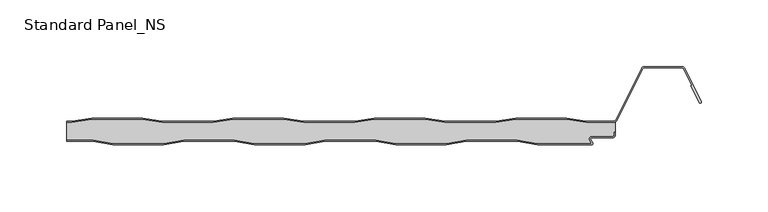
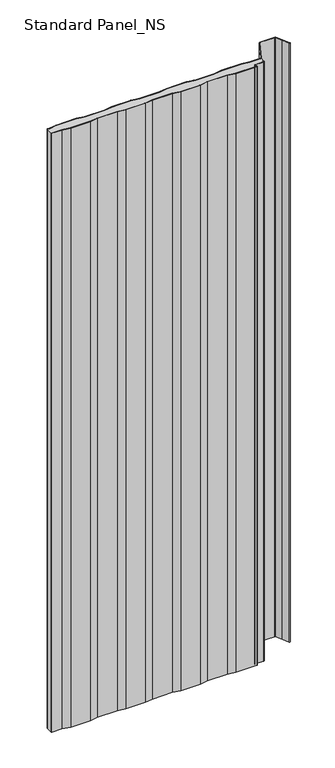
"""IFC4 building model written with IfcOpenShell, lengths in millimetres: proxy geometry, Standard Panel_NS."""

from ifc_helpers import new_model, si_unit, point, frame, frame_2d, origin, origin_with_axes, place, context, project, spatial, polyline, circle_curve, trimmed, segment, composite_curve, outline, extrude, source, transform, mapped, element, save
from ifc_brep_helpers import plane_surface, cylinder_surface, revolved_surface, advanced_brep


def standard_panel_ns_0a488ba0(model_context):
    return source(origin(), model_context, "Body", "SolidModel", [
        extrude(outline(composite_curve([segment(polyline([(-203.6028864, 3.3), (-188.6028864, 0.8), (-150.7353064, 0.8), (-135.7353064, 3.3), (-97.6028864, 3.3), (-82.6028864, 0.8), (-44.7353064, 0.8), (-29.7353064, 3.3), (8.3971136, 3.3), (23.3971136, 0.8), (61.2646936, 0.8), (76.2646936, 3.3), (114.3971136, 3.3), (129.3971136, 0.8), (170.5052217, 0.8), (168.869845, 3.3204106)]), True, "CONTINUOUS"), segment(trimmed(circle_curve(frame_2d((170.3798342, 4.3001721)), 1.8), [point((168.869845, 3.3204106))], [point((170.3798342, 6.1001721))], False, "CARTESIAN"), True, "CONTINUOUS"), segment(polyline([(170.3798342, 6.1001721), (185.9659043, 6.1001721)]), True, "CONTINUOUS"), segment(trimmed(circle_curve(frame_2d((185.9659043, 7.4001714)), 1.2999993), [point((185.9659043, 6.1001721))], [point((187.2659036, 7.4001714))], True, "CARTESIAN"), True, "CONTINUOUS"), segment(polyline([(187.2659036, 7.4001714), (187.2659036, 9.4001722), (188.0659036, 9.4001722), (188.0659036, 7.4001714)]), True, "CONTINUOUS"), segment(trimmed(circle_curve(frame_2d((185.9659043, 7.4001714)), 2.0999993), [point((188.0659036, 7.4001714))], [point((185.9659043, 5.3001721))], False, "CARTESIAN"), True, "CONTINUOUS"), segment(polyline([(185.9659043, 5.3001721), (170.3798342, 5.3001721)]), True, "CONTINUOUS"), segment(trimmed(circle_curve(frame_2d((170.3798342, 4.3001721)), 1.0), [point((170.3798342, 5.3001721))], [point((169.5409513, 3.7558601))], True, "CARTESIAN"), True, "CONTINUOUS"), segment(polyline([(169.5409513, 3.7558601), (170.9759217, 1.5443119)]), True, "CONTINUOUS"), segment(trimmed(circle_curve(frame_2d((170.1370388, 1.0)), 1.0), [point((170.9759217, 1.5443119))], [point((170.1370388, 0.0))], False, "CARTESIAN"), True, "CONTINUOUS"), segment(polyline([(170.1370388, 0.0), (129.3309036, 0.0), (114.3309036, 2.5), (76.3309036, 2.5), (61.3309036, 0.0), (23.3309036, 0.0), (8.3309036, 2.5), (-29.6690964, 2.5), (-44.6690964, 0.0), (-82.6690964, 0.0), (-97.6690964, 2.5), (-135.6690964, 2.5), (-150.6690964, 0.0), (-188.6690964, 0.0), (-203.6690964, 2.5), (-223.4042607, 2.5), (-223.4042607, 3.3), (-203.6028864, 3.3)]), True, "CONTINUOUS")], self_intersect=False)), origin_with_axes(), (0.0, 0.0, 1.0), 1219.2),
        extrude(outline(composite_curve([segment(polyline([(-219.5261524, 17.5), (-204.6867594, 20.0), (-166.4777146, 20.0), (-151.6383215, 17.5), (-113.5261524, 17.5), (-98.6867594, 20.0), (-60.4777146, 20.0), (-45.6383215, 17.5), (-7.5261524, 17.5), (7.3132406, 20.0), (45.5222854, 20.0), (60.3616785, 17.5), (98.4738476, 17.5), (113.3132406, 20.0), (151.5222854, 20.0), (166.3616785, 17.5), (186.5082999, 17.5)]), True, "CONTINUOUS"), segment(trimmed(circle_curve(frame_2d((186.5082999, 19.8)), 2.3), [point((186.5082999, 17.5))], [point((188.5664438, 18.7733338))], True, "CARTESIAN"), True, "CONTINUOUS"), segment(polyline([(188.5664438, 18.7733338), (207.7687355, 57.2679093)]), True, "CONTINUOUS"), segment(trimmed(circle_curve(frame_2d((209.8268795, 56.241243)), 2.3), [point((207.7687355, 57.2679093))], [point((209.8268795, 58.541243))], False, "CARTESIAN"), True, "CONTINUOUS"), segment(polyline([(209.8268795, 58.541243), (237.9816419, 58.541243)]), True, "CONTINUOUS"), segment(trimmed(circle_curve(frame_2d((237.9816419, 56.241243)), 2.3), [point((237.9816419, 58.541243))], [point((240.039338, 57.2688066))], False, "CARTESIAN"), True, "CONTINUOUS"), segment(polyline([(240.039338, 57.2688066), (252.4495038, 32.4174495)]), True, "CONTINUOUS"), segment(trimmed(circle_curve(frame_2d((251.7337834, 32.0600361)), 0.8), [point((252.4495038, 32.4174495))], [point((251.018063, 31.7026227))], False, "CARTESIAN"), True, "CONTINUOUS"), segment(polyline([(251.018063, 31.7026227), (244.6739749, 44.4066593), (245.3896952, 44.7640727), (239.3236176, 56.9113932)]), True, "CONTINUOUS"), segment(trimmed(circle_curve(frame_2d((237.9816419, 56.241243)), 1.5), [point((239.3236176, 56.9113932))], [point((237.9816419, 57.741243))], True, "CARTESIAN"), True, "CONTINUOUS"), segment(polyline([(237.9816419, 57.741243), (209.8268795, 57.741243)]), True, "CONTINUOUS"), segment(trimmed(circle_curve(frame_2d((209.8268795, 56.241243)), 1.5), [point((209.8268795, 57.741243))], [point((208.4846117, 56.910808))], True, "CARTESIAN"), True, "CONTINUOUS"), segment(polyline([(208.4846117, 56.910808), (189.28232, 18.4162325)]), True, "CONTINUOUS"), segment(trimmed(circle_curve(frame_2d((186.5082999, 19.8)), 3.1), [point((189.28232, 18.4162325))], [point((186.5082999, 16.7))], False, "CARTESIAN"), True, "CONTINUOUS"), segment(polyline([(186.5082999, 16.7), (166.2947617, 16.7), (151.4553687, 19.2), (113.3801573, 19.2), (98.5407643, 16.7), (60.2947617, 16.7), (45.4553687, 19.2), (7.3801573, 19.2), (-7.4592357, 16.7), (-45.7052383, 16.7), (-60.5446313, 19.2), (-98.6198427, 19.2), (-113.4592357, 16.7), (-151.7052383, 16.7), (-166.5446313, 19.2), (-204.6198427, 19.2), (-219.4592357, 16.7), (-223.4042607, 16.7), (-223.4042607, 17.5), (-219.5261524, 17.5)]), True, "CONTINUOUS")], self_intersect=False)), origin_with_axes(), (0.0, 0.0, 1.0), 1219.2),
        advanced_brep(
        [(188.136916, 17.1622719, 1219.2), (186.5082999, 16.7, 1219.2), (166.2947617, 16.7, 1219.2), (151.4553687, 19.2, 1219.2), (113.3801573, 19.2, 1219.2), (98.5407643, 16.7, 1219.2), (60.2947617, 16.7, 1219.2), (45.4553687, 19.2, 1219.2), (7.3801573, 19.2, 1219.2), (-7.4592357, 16.7, 1219.2), (-45.7052383, 16.7, 1219.2), (-60.5446313, 19.2, 1219.2), (-98.6198427, 19.2, 1219.2), (-113.4592357, 16.7, 1219.2), (-151.7052383, 16.7, 1219.2), (-166.5446313, 19.2, 1219.2), (-204.6198427, 19.2, 1219.2), (-219.4592357, 16.7, 1219.2), (-223.4042607, 16.7, 1219.2), (-223.4042607, 3.3, 1219.2), (-203.6028864, 3.3, 1219.2), (-188.6028864, 0.8, 1219.2), (-150.7353064, 0.8, 1219.2), (-135.7353064, 3.3, 1219.2), (-97.6028864, 3.3, 1219.2), (-82.6028864, 0.8, 1219.2), (-44.7353064, 0.8, 1219.2), (-29.7353064, 3.3, 1219.2), (8.3971136, 3.3, 1219.2), (23.3971136, 0.8, 1219.2), (61.2646936, 0.8, 1219.2), (76.2646936, 3.3, 1219.2), (114.3971136, 3.3, 1219.2), (129.3971136, 0.8, 1219.2), (170.5052217, 0.8, 1219.2), (168.869845, 3.3204106, 1219.2), (170.3798342, 6.1001721, 1219.2), (185.9659043, 6.1001721, 1219.2), (187.2659036, 7.4001714, 1219.2), (187.2659036, 9.4001722, 1219.2), (188.1042607, 9.4, 1219.2), (-219.4592357, 16.7, 0.0), (-204.6198427, 19.2, 0.0), (-166.5446313, 19.2, 0.0), (-151.7052383, 16.7, 0.0), (-113.4592357, 16.7, 0.0), (-98.6198427, 19.2, 0.0), (-60.5446313, 19.2, 0.0), (-45.7052383, 16.7, 0.0), (-7.4592357, 16.7, 0.0), (7.3801573, 19.2, 0.0), (45.4553687, 19.2, 0.0), (60.2947617, 16.7, 0.0), (98.5407643, 16.7, 0.0), (113.3801573, 19.2, 0.0), (151.4553687, 19.2, 0.0), (166.2947617, 16.7, 0.0), (186.5082999, 16.7, 0.0), (188.136916, 17.1622719, 0.0), (188.1042607, 9.4, 0.0), (187.2659036, 9.4, 0.0), (187.2659036, 7.4001714, 0.0), (185.9659043, 6.1001721, 0.0), (170.3798342, 6.1001721, 0.0), (168.869845, 3.3204106, 0.0), (170.5052217, 0.8, 0.0), (129.3971136, 0.8, 0.0), (114.3971136, 3.3, 0.0), (76.2646936, 3.3, 0.0), (61.2646936, 0.8, 0.0), (23.3971136, 0.8, 0.0), (8.3971136, 3.3, 0.0), (-29.7353064, 3.3, 0.0), (-44.7353064, 0.8, 0.0), (-82.6028864, 0.8, 0.0), (-97.6028864, 3.3, 0.0), (-135.7353064, 3.3, 0.0), (-150.7353064, 0.8, 0.0), (-188.6028864, 0.8, 0.0), (-203.6028864, 3.3, 0.0), (-223.4042607, 3.3, 0.0), (-223.4042607, 16.7, 0.0)],
        [
            (0, 1, circle_curve(frame((186.5082999, 19.8, 1219.2), z_axis=(0.0, 0.0, -1.0), x_axis=(-1.0, 0.0, 0.0)), 3.1)),
            (1, 2),
            (2, 3),
            (3, 4),
            (4, 5),
            (5, 6),
            (6, 7),
            (7, 8),
            (8, 9),
            (9, 10),
            (10, 11),
            (11, 12),
            (12, 13),
            (13, 14),
            (14, 15),
            (15, 16),
            (16, 17),
            (17, 18),
            (18, 19),
            (19, 20),
            (20, 21),
            (21, 22),
            (22, 23),
            (23, 24),
            (24, 25),
            (25, 26),
            (26, 27),
            (27, 28),
            (28, 29),
            (29, 30),
            (30, 31),
            (31, 32),
            (32, 33),
            (33, 34),
            (34, 35),
            (35, 36, circle_curve(frame((170.3798342, 4.3001721, 1219.2), z_axis=(0.0, 0.0, -1.0), x_axis=(-1.0, 0.0, 0.0)), 1.8)),
            (36, 37),
            (37, 38, circle_curve(frame((185.9659043, 7.4001714, 1219.2), z_axis=(0.0, 0.0, 1.0), x_axis=(-1.0, 0.0, 0.0)), 1.2999993)),
            (38, 39),
            (39, 40),
            (40, 0),
            (41, 42),
            (42, 43),
            (43, 44),
            (44, 45),
            (45, 46),
            (46, 47),
            (47, 48),
            (48, 49),
            (49, 50),
            (50, 51),
            (51, 52),
            (52, 53),
            (53, 54),
            (54, 55),
            (55, 56),
            (56, 57),
            (57, 58, circle_curve(frame((186.5082999, 19.8, 0.0), z_axis=(0.0, 0.0, 1.0), x_axis=(-1.0, 0.0, 0.0)), 3.1)),
            (58, 59),
            (59, 60),
            (60, 61),
            (61, 62, circle_curve(frame((185.9659043, 7.4001714, 0.0), z_axis=(0.0, 0.0, -1.0), x_axis=(-1.0, 0.0, 0.0)), 1.2999993)),
            (62, 63),
            (63, 64, circle_curve(frame((170.3798342, 4.3001721, 0.0), z_axis=(0.0, 0.0, 1.0), x_axis=(-1.0, 0.0, 0.0)), 1.8)),
            (64, 65),
            (65, 66),
            (66, 67),
            (67, 68),
            (68, 69),
            (69, 70),
            (70, 71),
            (71, 72),
            (72, 73),
            (73, 74),
            (74, 75),
            (75, 76),
            (76, 77),
            (77, 78),
            (78, 79),
            (79, 80),
            (80, 81),
            (81, 41),
            (58, 0),
            (40, 59),
            (57, 1),
            (56, 2),
            (55, 3),
            (54, 4),
            (53, 5),
            (52, 6),
            (51, 7),
            (50, 8),
            (49, 9),
            (48, 10),
            (47, 11),
            (46, 12),
            (45, 13),
            (44, 14),
            (43, 15),
            (42, 16),
            (41, 17),
            (81, 18),
            (39, 60),
            (79, 20),
            (19, 80),
            (78, 21),
            (77, 22),
            (76, 23),
            (75, 24),
            (74, 25),
            (73, 26),
            (72, 27),
            (71, 28),
            (70, 29),
            (69, 30),
            (68, 31),
            (67, 32),
            (66, 33),
            (65, 34),
            (64, 35),
            (63, 36),
            (62, 37),
            (61, 38),
        ],
        [
            plane_surface(frame((-276.0957393, 19.2, 1219.2), z_axis=(0.0, 0.0, 1.0), x_axis=(0.0, 1.0, 0.0))),
            plane_surface(frame((-276.0957393, 19.2, 0.0), z_axis=(0.0, 0.0, -1.0), x_axis=(0.0, 1.0, 0.0))),
            plane_surface(frame((188.136916, 14.25, 1219.2), z_axis=(1.0, 0.0, 0.0), x_axis=(0.0, 0.0, -1.0))),
            revolved_surface(polyline([(183.4082999, 19.8, 0.0), (183.4082999, 19.8, 1219.2)]), (186.5082999, 19.8, 1219.2), (0.0, 0.0, -1.0)),
            plane_surface(frame((186.5082999, 16.7, 1219.2), z_axis=(0.0, 1.0, 0.0), x_axis=(0.0, 0.0, -1.0))),
            plane_surface(frame((166.2947617, 16.7, 1219.2), z_axis=(0.16612942863435848, 0.9861039564577467, 0.0), x_axis=(0.0, 0.0, -1.0))),
            plane_surface(frame((151.4553687, 19.2, 1219.2), z_axis=(0.0, 1.0, 0.0), x_axis=(0.0, 0.0, -1.0))),
            plane_surface(frame((113.3801573, 19.2, 1219.2), z_axis=(-0.16612942863454067, 0.9861039564577161, 0.0), x_axis=(0.0, 0.0, -1.0))),
            plane_surface(frame((98.5407643, 16.7, 1219.2), z_axis=(0.0, 1.0, 0.0), x_axis=(0.0, 0.0, -1.0))),
            plane_surface(frame((60.2947617, 16.7, 1219.2), z_axis=(0.1661294286345235, 0.986103956457719, 0.0), x_axis=(0.0, 0.0, -1.0))),
            plane_surface(frame((45.4553687, 19.2, 1219.2), z_axis=(0.0, 1.0, 0.0), x_axis=(0.0, 0.0, -1.0))),
            plane_surface(frame((7.3801573, 19.2, 1219.2), z_axis=(-0.16612942863454067, 0.9861039564577161, 0.0), x_axis=(0.0, 0.0, -1.0))),
            plane_surface(frame((-7.4592357, 16.7, 1219.2), z_axis=(0.0, 1.0, 0.0), x_axis=(0.0, 0.0, -1.0))),
            plane_surface(frame((-45.7052383, 16.7, 1219.2), z_axis=(0.16612942863435848, 0.9861039564577467, 0.0), x_axis=(0.0, 0.0, -1.0))),
            plane_surface(frame((-60.5446313, 19.2, 1219.2), z_axis=(0.0, 1.0, 0.0), x_axis=(0.0, 0.0, -1.0))),
            plane_surface(frame((-98.6198427, 19.2, 1219.2), z_axis=(-0.16612942863472926, 0.9861039564576843, 0.0), x_axis=(0.0, 0.0, -1.0))),
            plane_surface(frame((-113.4592357, 16.7, 1219.2), z_axis=(0.0, 1.0, 0.0), x_axis=(0.0, 0.0, -1.0))),
            plane_surface(frame((-151.7052383, 16.7, 1219.2), z_axis=(0.1661294286345235, 0.986103956457719, 0.0), x_axis=(0.0, 0.0, -1.0))),
            plane_surface(frame((-166.5446313, 19.2, 1219.2), z_axis=(0.0, 1.0, 0.0), x_axis=(0.0, 0.0, -1.0))),
            plane_surface(frame((-204.6198427, 19.2, 1219.2), z_axis=(-0.16612942863435204, 0.9861039564577478, 0.0), x_axis=(0.0, 0.0, -1.0))),
            plane_surface(frame((-219.4592357, 16.7, 1219.2), z_axis=(0.0, 1.0, 0.0), x_axis=(0.0, 0.0, -1.0))),
            plane_surface(frame((-811.8956486, 9.4, 1219.2), z_axis=(0.0, -1.0, 0.0), x_axis=(0.0, 0.0, -1.0))),
            plane_surface(frame((-241.7353064, 3.3, 1219.2), z_axis=(0.0, -1.0, 0.0), x_axis=(0.0, 0.0, -1.0))),
            plane_surface(frame((-203.6028864, 3.3, 1219.2), z_axis=(-0.1643989873053467, -0.9863939238321456, 0.0), x_axis=(0.0, 0.0, -1.0))),
            plane_surface(frame((-188.6028864, 0.8, 1219.2), z_axis=(0.0, -1.0, 0.0), x_axis=(0.0, 0.0, -1.0))),
            plane_surface(frame((-150.7353064, 0.8, 1219.2), z_axis=(0.1643989873053679, -0.9863939238321421, 0.0), x_axis=(0.0, 0.0, -1.0))),
            plane_surface(frame((-135.7353064, 3.3, 1219.2), z_axis=(0.0, -1.0, 0.0), x_axis=(0.0, 0.0, -1.0))),
            plane_surface(frame((-97.6028864, 3.3, 1219.2), z_axis=(-0.1643989873053467, -0.9863939238321456, 0.0), x_axis=(0.0, 0.0, -1.0))),
            plane_surface(frame((-82.6028864, 0.8, 1219.2), z_axis=(0.0, -1.0, 0.0), x_axis=(0.0, 0.0, -1.0))),
            plane_surface(frame((-44.7353064, 0.8, 1219.2), z_axis=(0.16439898730518315, -0.9863939238321728, 0.0), x_axis=(0.0, 0.0, -1.0))),
            plane_surface(frame((-29.7353064, 3.3, 1219.2), z_axis=(0.0, -1.0, 0.0), x_axis=(0.0, 0.0, -1.0))),
            plane_surface(frame((8.3971136, 3.3, 1219.2), z_axis=(-0.1643989873053467, -0.9863939238321456, 0.0), x_axis=(0.0, 0.0, -1.0))),
            plane_surface(frame((23.3971136, 0.8, 1219.2), z_axis=(0.0, -1.0, 0.0), x_axis=(0.0, 0.0, -1.0))),
            plane_surface(frame((61.2646936, 0.8, 1219.2), z_axis=(0.1643989873053679, -0.9863939238321421, 0.0), x_axis=(0.0, 0.0, -1.0))),
            plane_surface(frame((76.2646936, 3.3, 1219.2), z_axis=(0.0, -1.0, 0.0), x_axis=(0.0, 0.0, -1.0))),
            plane_surface(frame((114.3971136, 3.3, 1219.2), z_axis=(-0.16439898730516195, -0.9863939238321764, 0.0), x_axis=(0.0, 0.0, -1.0))),
            plane_surface(frame((129.3971136, 0.8, 1219.2), z_axis=(0.0, -1.0, 0.0), x_axis=(0.0, 0.0, -1.0))),
            plane_surface(frame((170.5052217, 0.8, 1219.2), z_axis=(0.8388828900539764, 0.5443119480359477, 0.0), x_axis=(0.0, 0.0, -1.0))),
            revolved_surface(polyline([(168.5798342, 4.3001721, 0.0), (168.5798342, 4.3001721, 1219.2)]), (170.3798342, 4.3001721, 1219.2), (0.0, 0.0, -1.0)),
            plane_surface(frame((170.3798342, 6.1001721, 1219.2), z_axis=(0.0, -1.0, 0.0), x_axis=(0.0, 0.0, -1.0))),
            cylinder_surface(frame((185.9659043, 7.4001714, 1219.2), z_axis=(0.0, 0.0, 1.0), x_axis=(-1.0, 0.0, 0.0)), 1.2999993),
            plane_surface(frame((187.2659036, 7.4001714, 1219.2), z_axis=(1.0, 0.0, 0.0), x_axis=(0.0, 0.0, -1.0))),
            plane_surface(frame((-223.4042607, -30.0, 1219.2), z_axis=(-1.0, 0.0, 0.0), x_axis=(0.0, 0.0, -1.0))),
        ],
        [
            (0, [[1, 2, 3, 4, 5, 6, 7, 8, 9, 10, 11, 12, 13, 14, 15, 16, 17, 18, 19, 20, 21, 22, 23, 24, 25, 26, 27, 28, 29, 30, 31, 32, 33, 34, 35, 36, 37, 38, 39, 40, 41]]),
            (1, [[42, 43, 44, 45, 46, 47, 48, 49, 50, 51, 52, 53, 54, 55, 56, 57, 58, 59, 60, 61, 62, 63, 64, 65, 66, 67, 68, 69, 70, 71, 72, 73, 74, 75, 76, 77, 78, 79, 80, 81, 82]]),
            (2, [[83, -41, 84, -59]]),
            (3, [[-1, -83, -58, 85]]),
            (4, [[-2, -85, -57, 86]]),
            (5, [[-3, -86, -56, 87]]),
            (6, [[-4, -87, -55, 88]]),
            (7, [[-5, -88, -54, 89]]),
            (8, [[-6, -89, -53, 90]]),
            (9, [[-7, -90, -52, 91]]),
            (10, [[-8, -91, -51, 92]]),
            (11, [[-9, -92, -50, 93]]),
            (12, [[-10, -93, -49, 94]]),
            (13, [[-11, -94, -48, 95]]),
            (14, [[-12, -95, -47, 96]]),
            (15, [[-13, -96, -46, 97]]),
            (16, [[-14, -97, -45, 98]]),
            (17, [[-15, -98, -44, 99]]),
            (18, [[-16, -99, -43, 100]]),
            (19, [[-17, -100, -42, 101]]),
            (20, [[-101, -82, 102, -18]]),
            (21, [[-84, -40, 103, -60]]),
            (22, [[104, -20, 105, -80]]),
            (23, [[-21, -104, -79, 106]]),
            (24, [[-22, -106, -78, 107]]),
            (25, [[-23, -107, -77, 108]]),
            (26, [[-24, -108, -76, 109]]),
            (27, [[-25, -109, -75, 110]]),
            (28, [[-26, -110, -74, 111]]),
            (29, [[-27, -111, -73, 112]]),
            (30, [[-28, -112, -72, 113]]),
            (31, [[-29, -113, -71, 114]]),
            (32, [[-30, -114, -70, 115]]),
            (33, [[-31, -115, -69, 116]]),
            (34, [[-32, -116, -68, 117]]),
            (35, [[-33, -117, -67, 118]]),
            (36, [[-34, -118, -66, 119]]),
            (37, [[-35, -119, -65, 120]]),
            (38, [[-36, -120, -64, 121]]),
            (39, [[-37, -121, -63, 122]]),
            (40, [[-38, -122, -62, 123]]),
            (41, [[-39, -123, -61, -103]]),
            (42, [[-19, -102, -81, -105]]),
        ],
    ),
    ])


if __name__ == "__main__":
    model = new_model("IFC4")
    model_context = context("Model", 3, world=origin())
    ifc_project = project(units=[si_unit("LENGTHUNIT", "METRE", prefix="MILLI")], contexts=[model_context])
    site = spatial("IfcSite", under=ifc_project)
    building = spatial("IfcBuilding", under=site)
    placement = place(None, origin())
    standard_panel_ns_shape = standard_panel_ns_0a488ba0(model_context)
    element("IfcBuildingElementProxy", 1, Name="Standard Panel_NS", ObjectType="Standard Panel_NS", at=placement, inside=building, context=model_context, shape_type="MappedRepresentation", body=[
        mapped(standard_panel_ns_shape, transform((0.0, 0.0, 0.0), x_axis=(1.0, 0.0, 0.0), y_axis=(0.0, 1.0, 0.0), z_axis=(0.0, 0.0, 1.0))),
    ])
    save(model, "model.ifc")
